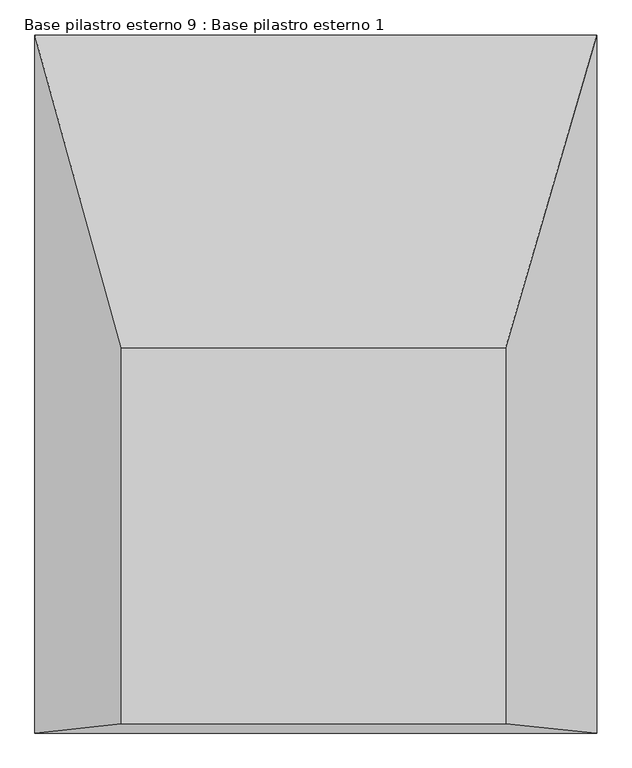
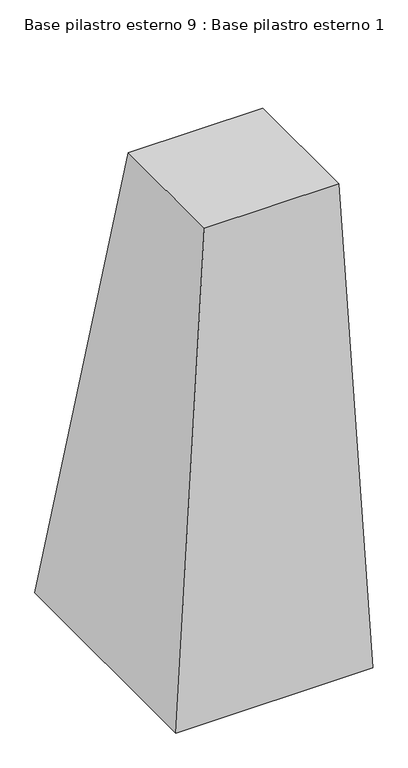
"""IFC4 building model written with IfcOpenShell, lengths in millimetres: column geometry, Base pilastro esterno 9 : Base pilastro esterno 1."""

from ifc_helpers import new_model, si_unit, origin, place, context, project, spatial, faceted_brep, source, transform, mapped, element, save


def base_pilastro_esterno_9_base_pilastro_esterno_1_b86b12e6(model_context):
    return source(origin(), model_context, "Body", "Brep", [
        faceted_brep([(71082.7742782, 123725.338663, 110.4186824), (71685.769484, 123725.338663, 110.4186824), (71685.769484, 124315.5945334, 110.4186824), (71082.7742782, 124315.5945334, 110.4186824), (70946.8880347, 123710.8677666, -2226.4963086), (70946.8880347, 124806.47127, -2226.4963086), (71828.7366748, 124806.47127, -2226.4963086), (71828.7366748, 123710.8677666, -2226.4963086)], [[[0, 1, 2, 3]], [[4, 5, 6, 7]], [[4, 7, 1, 0]], [[7, 6, 2, 1]], [[6, 5, 3, 2]], [[5, 4, 0, 3]]]),
    ])


if __name__ == "__main__":
    model = new_model("IFC4")
    model_context = context("Model", 3, world=origin())
    ifc_project = project(units=[si_unit("LENGTHUNIT", "METRE", prefix="MILLI")], contexts=[model_context])
    site = spatial("IfcSite", under=ifc_project)
    building = spatial("IfcBuilding", under=site)
    placement = place(None, origin())
    base_pilastro_esterno_9_base_pilastro_esterno_1_shape = base_pilastro_esterno_9_base_pilastro_esterno_1_b86b12e6(model_context)
    element("IfcColumn", 1, ObjectType="Base pilastro esterno 9 : Base pilastro esterno 1", at=placement, inside=building, context=model_context, shape_type="MappedRepresentation", body=[
        mapped(base_pilastro_esterno_9_base_pilastro_esterno_1_shape, transform((0.0, 0.0, 0.0), x_axis=(1.0, 0.0, 0.0), y_axis=(0.0, 1.0, 0.0), z_axis=(0.0, 0.0, 1.0))),
    ])
    save(model, "model.ifc")
